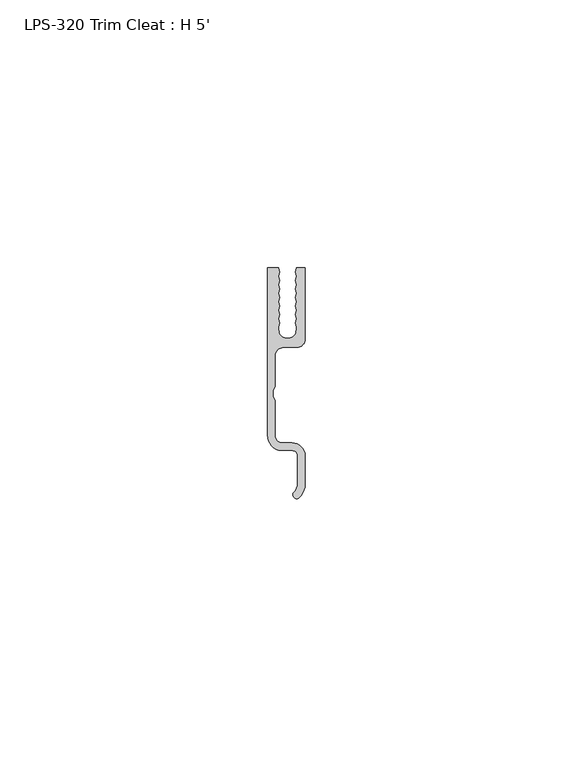
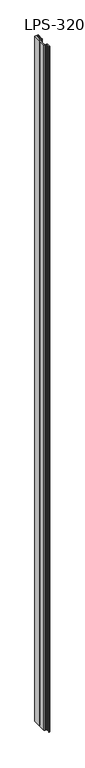
"""IFC4 building model written with IfcOpenShell, lengths in millimetres: proxy geometry, LPS-320 Trim Cleat : H 5'."""

from ifc_helpers import new_model, si_unit, point, frame_2d, origin, origin_with_axes, place, context, project, spatial, polyline, circle_curve, trimmed, segment, composite_curve, outline, extrude, source, transform, mapped, element, save


def lps_320_trim_cleat_h_5_30852502(model_context):
    return source(origin(), model_context, "Body", "SweptSolid", [
        extrude(outline(composite_curve([segment(polyline([(-2.1139529, 5.112905), (-2.1139529, -0.631127), (-2.5000324, -1.357237), (-2.5000324, -2.445017), (-2.1139529, -3.171127), (-2.1139529, -9.7115431)]), True, "CONTINUOUS"), segment(trimmed(circle_curve(frame_2d((-0.6584036, -9.7115431)), 1.4555494), [point((-2.1139529, -9.7115431))], [point((-1.0293528, -11.1190305))], True, "CARTESIAN"), True, "CONTINUOUS"), segment(polyline([(-1.0293528, -11.1190305), (1.0783304, -11.1190305)]), True, "CONTINUOUS"), segment(trimmed(circle_curve(frame_2d((1.041874, -13.5898795)), 2.4711179), [point((1.0783304, -11.1190305))], [point((3.5109529, -13.4895157))], False, "CARTESIAN"), True, "CONTINUOUS"), segment(polyline([(3.5109529, -13.4895157), (3.5109529, -18.5410704)]), True, "CONTINUOUS"), segment(trimmed(circle_curve(frame_2d((-0.5911471, -18.5410704)), 4.1021), [point((3.5109529, -18.5410704))], [point((2.25856, -21.4917303))], False, "CARTESIAN"), True, "CONTINUOUS"), segment(trimmed(circle_curve(frame_2d((1.9778743, -20.7675473)), 0.7766759), [point((2.25856, -21.4917303))], [point((1.2367952, -20.5351098))], False, "CARTESIAN"), True, "CONTINUOUS"), segment(trimmed(circle_curve(frame_2d((-0.5911471, -18.5410704)), 2.7051), [point((1.2367952, -20.5351098))], [point((2.1139529, -18.5410704))], True, "CARTESIAN"), True, "CONTINUOUS"), segment(polyline([(2.1139529, -18.5410704), (2.1139529, -13.523728)]), True, "CONTINUOUS"), segment(trimmed(circle_curve(frame_2d((1.041874, -13.5898795)), 1.0741179), [point((2.1139529, -13.523728))], [point((1.0659086, -12.5160305))], True, "CARTESIAN"), True, "CONTINUOUS"), segment(polyline([(1.0659086, -12.5160305), (-1.2210311, -12.5160305)]), True, "CONTINUOUS"), segment(trimmed(circle_curve(frame_2d((-1.2210311, -10.9615505)), 1.55448), [point((-1.2210311, -12.5160305))], [point((-1.9760611, -12.3203506))], False, "CARTESIAN"), True, "CONTINUOUS"), segment(trimmed(circle_curve(frame_2d((-0.5264529, -9.7115431)), 2.9845), [point((-1.9760611, -12.3203506))], [point((-3.5109529, -9.7115431))], False, "CARTESIAN"), True, "CONTINUOUS"), segment(polyline([(-3.5109529, -9.7115431), (-3.5109529, 21.5613778), (-1.4602197, 21.5613778), (-1.315047, 20.7690222), (-1.4602197, 19.9766667), (-1.315047, 19.1843112), (-1.4602197, 18.3919557), (-1.315047, 17.5996002), (-1.4602197, 16.8072447), (-1.315047, 16.0148891), (-1.4602197, 15.2225336), (-1.315047, 14.4301781), (-1.4602197, 13.6378226), (-1.315047, 12.8454671), (-1.4602197, 12.0531116), (-1.315047, 11.260756), (-1.4602197, 10.4684005), (-1.3787348, 9.3284358)]), True, "CONTINUOUS"), segment(trimmed(circle_curve(frame_2d((0.2051903, 10.224684)), 1.8199119), [point((-1.3787348, 9.3284358))], [point((1.7947896, 9.3385388))], True, "CARTESIAN"), True, "CONTINUOUS"), segment(polyline([(1.7947896, 9.3385388), (1.8781256, 10.4684005), (1.7329529, 11.260756), (1.8781256, 12.0531116), (1.7329529, 12.8454671), (1.8781256, 13.6378226), (1.7329529, 14.4301781), (1.8781256, 15.2225336), (1.7329529, 16.0148891), (1.8781256, 16.8072447), (1.7329529, 17.5996002), (1.8781256, 18.3919557), (1.7329529, 19.1843112), (1.8781256, 19.9766667), (1.7329529, 20.7690222), (1.8781256, 21.5613778), (3.5109529, 21.5613778), (3.5109529, 8.287905)]), True, "CONTINUOUS"), segment(trimmed(circle_curve(frame_2d((1.9234529, 8.287905)), 1.5875), [point((3.5109529, 8.287905))], [point((1.9234529, 6.700405))], False, "CARTESIAN"), True, "CONTINUOUS"), segment(polyline([(1.9234529, 6.700405), (-0.5264529, 6.700405)]), True, "CONTINUOUS"), segment(trimmed(circle_curve(frame_2d((-0.5264529, 5.112905)), 1.5875), [point((-0.5264529, 6.700405))], [point((-2.1139529, 5.112905))], True, "CARTESIAN"), True, "CONTINUOUS")], self_intersect=False)), origin_with_axes(), (0.0, 0.0, 1.0), 1524.0),
    ])


if __name__ == "__main__":
    model = new_model("IFC4")
    model_context = context("Model", 3, world=origin())
    ifc_project = project(units=[si_unit("LENGTHUNIT", "METRE", prefix="MILLI")], contexts=[model_context])
    site = spatial("IfcSite", under=ifc_project)
    building = spatial("IfcBuilding", under=site)
    placement = place(None, origin())
    lps_320_trim_cleat_h_5_shape = lps_320_trim_cleat_h_5_30852502(model_context)
    element("IfcBuildingElementProxy", 1, Name="LPS-320 Trim Cleat : H 5'", ObjectType="LPS-320 Trim Cleat : H 5'", at=placement, inside=building, context=model_context, shape_type="MappedRepresentation", body=[
        mapped(lps_320_trim_cleat_h_5_shape, transform((0.0, 0.0, 0.0), x_axis=(1.0, 0.0, 0.0), y_axis=(0.0, 1.0, 0.0), z_axis=(0.0, 0.0, 1.0))),
    ])
    save(model, "model.ifc")
